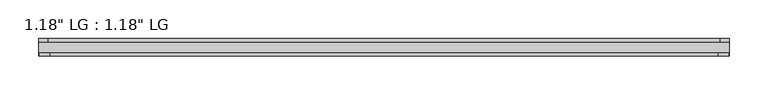
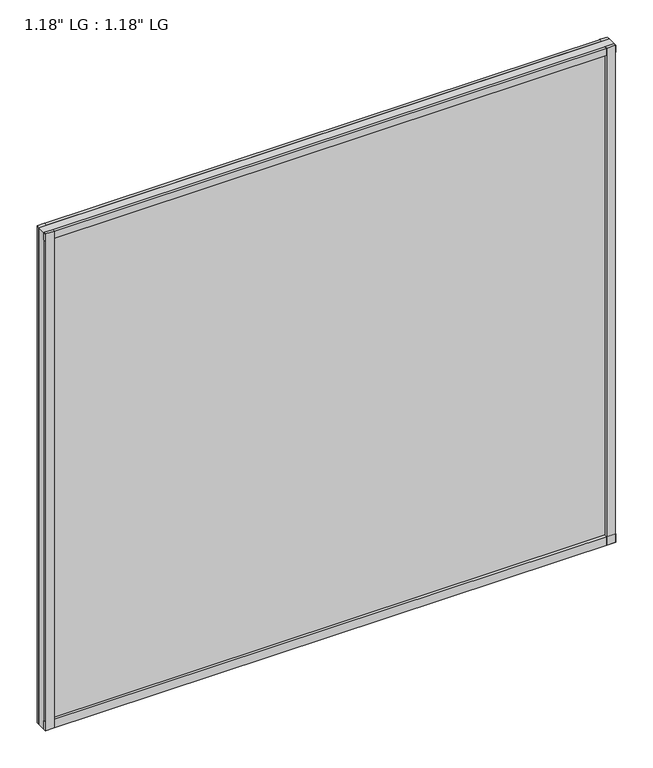
"""IFC4 building model written with IfcOpenShell, lengths in millimetres: plate geometry."""

from ifc_helpers import new_model, si_unit, frame, origin, origin_with_axes, place, context, project, spatial, polyline, outline, extrude, source, transform, mapped, element, save


def plate_d25a1f91(model_context):
    return source(origin(), model_context, "Body", "SweptSolid", [
        extrude(outline(polyline([(444.5, 58.8264), (433.0474034, 58.8264), (433.0474034, 63.5), (444.5, 63.5), (444.5, 58.8264)])), origin_with_axes(), (0.0, 0.0, 1.0), 818.7785413),
        extrude(outline(polyline([(430.2806761, 45.212), (443.6843966, 45.212), (443.6843966, 41.021), (430.2806761, 41.021), (430.2806761, 45.212)])), origin_with_axes(), (0.0, 0.0, 1.0), 818.7785413),
        extrude(outline(polyline([(-432.9821913, 63.5), (-432.9821913, 58.8264), (-444.5, 58.8264), (-444.5, 63.5), (-432.9821913, 63.5)])), origin_with_axes(), (0.0, 0.0, 1.0), 818.7785413),
        extrude(outline(polyline([(-430.2909512, 45.212), (-430.2909512, 41.021), (-443.6843966, 41.021), (-443.6843966, 45.212), (-430.2909512, 45.212)])), origin_with_axes(), (0.0, 0.0, 1.0), 818.7785413),
        extrude(outline(polyline([(444.5, 63.5), (444.5, 58.8264), (-444.5, 58.8264), (-444.5, 63.5), (444.5, 63.5)])), origin_with_axes(), (0.0, 0.0, 1.0), 11.444324),
        extrude(outline(polyline([(444.5, 45.212), (444.5, 41.021), (-444.5, 41.021), (-444.5, 45.212), (444.5, 45.212)])), origin_with_axes(), (0.0, 0.0, 1.0), 14.1703966),
        extrude(outline(polyline([(444.5, 63.5), (444.5, 58.8264), (-444.5, 58.8264), (-444.5, 63.5), (444.5, 63.5)])), frame((0.0, 0.0, 807.1134386), z_axis=(0.0, 0.0, 1.0), x_axis=(1.0, 0.0, 0.0)), (0.0, 0.0, 1.0), 11.6651026),
        extrude(outline(polyline([(444.5, 45.212), (444.5, 41.021), (-444.5, 41.021), (-444.5, 45.212), (444.5, 45.212)])), frame((0.0, 0.0, 807.1134386), z_axis=(0.0, 0.0, 1.0), x_axis=(1.0, 0.0, 0.0)), (0.0, 0.0, 1.0), 11.6651026),
        extrude(outline(polyline([(444.5, 58.8264), (444.5, 45.212), (-444.5, 45.212), (-444.5, 58.8264), (444.5, 58.8264)])), origin_with_axes(), (0.0, 0.0, 1.0), 818.7785413),
    ])


if __name__ == "__main__":
    model = new_model("IFC4")
    model_context = context("Model", 3, world=origin())
    ifc_project = project(units=[si_unit("LENGTHUNIT", "METRE", prefix="MILLI")], contexts=[model_context])
    site = spatial("IfcSite", under=ifc_project)
    building = spatial("IfcBuilding", under=site)
    placement = place(None, origin())
    plate_shape = plate_d25a1f91(model_context)
    element("IfcPlate", 1, ObjectType="1.18\" LG : 1.18\" LG", at=placement, inside=building, context=model_context, shape_type="MappedRepresentation", body=[
        mapped(plate_shape, transform((0.0, 0.0, 0.0), x_axis=(1.0, 0.0, 0.0), y_axis=(0.0, 1.0, 0.0), z_axis=(0.0, 0.0, 1.0))),
    ])
    save(model, "model.ifc")
